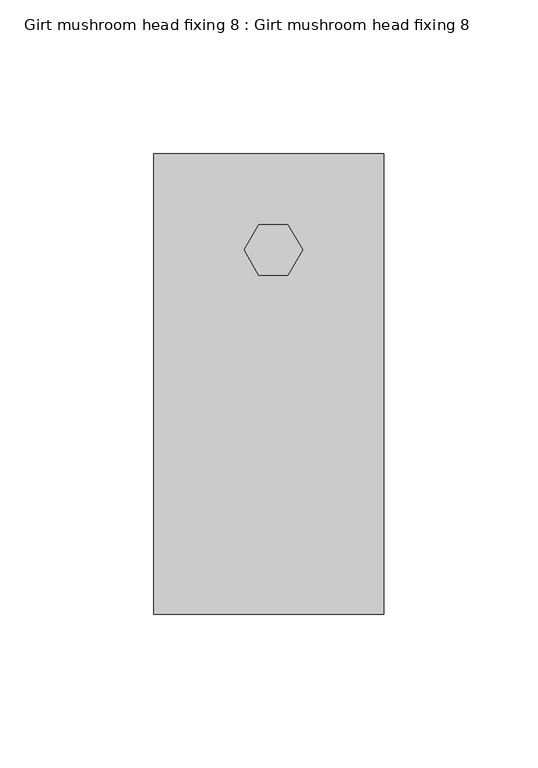
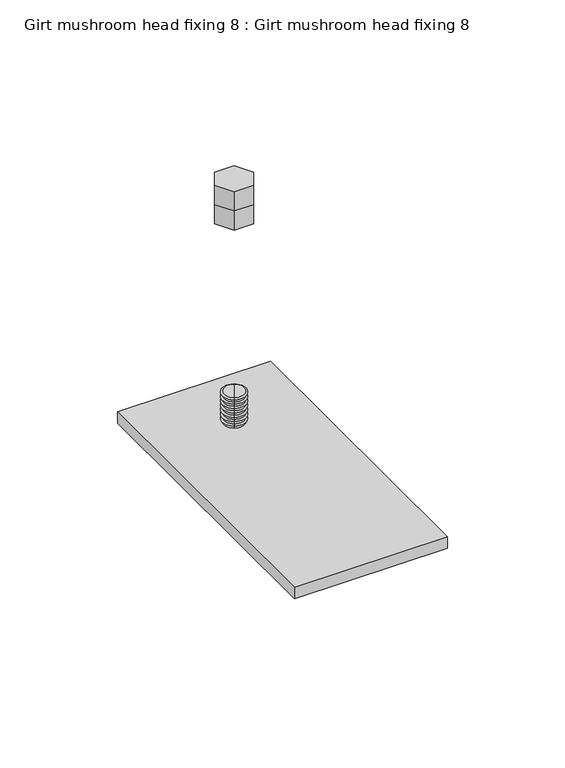
"""IFC4 building model written with IfcOpenShell, lengths in millimetres: proxy geometry, Girt mushroom head fixing 8 : Girt mushroom head fixing 8."""

from ifc_helpers import new_model, si_unit, frame, origin, place, context, project, spatial, polyline, circle_curve, outline, extrude, source, transform, mapped, element, save
from ifc_brep_helpers import plane_surface, cylinder_surface, revolved_surface, advanced_brep


def girt_mushroom_head_fixing_8_girt_mushroom_head_fixing_8_28c25c80(model_context):
    return source(origin(), model_context, "Body", "SolidModel", [
        extrude(outline(polyline([(75.0, 30.660858), (75.0, -119.339142), (0.0, -119.339142), (0.0, 30.660858), (75.0, 30.660858)])), frame((0.0, 0.0, -106.0), z_axis=(0.0, 0.0, 1.0), x_axis=(1.0, 0.0, 0.0)), (0.0, 0.0, 1.0), 6.0),
        extrude(outline(polyline([(43.75, -8.8923048), (34.25, -8.8923048), (29.5, -0.6650635), (34.25, 7.5621778), (43.75, 7.5621778), (48.5, -0.6650635), (43.75, -8.8923048)])), frame((0.0, 0.0, -116.2567192), z_axis=(0.0, 0.0, 1.0), x_axis=(1.0, 0.0, 0.0)), (0.0, 0.0, 1.0), 10.0),
        advanced_brep(
        [(41.5, 3.6650635, -132.5486422), (36.5, -4.9951905, -132.5486422), (36.0940542, -5.6983094, -132.0260805), (41.9059458, 4.3681823, -132.0260805), (36.5, -4.9951905, -131.5573346), (41.5, 3.6650635, -131.5573346), (36.5, -4.9951905, -130.2783748), (41.5, 3.6650635, -130.2783748), (36.0940542, -5.6983094, -129.7558131), (41.9059458, 4.3681823, -129.7558131), (36.5, -4.9951905, -129.2870672), (41.5, 3.6650635, -129.2870672), (36.5, -4.9951905, -128.0081074), (41.5, 3.6650635, -128.0081074), (36.0940542, -5.6983094, -127.4855457), (41.9059458, 4.3681823, -127.4855457), (36.5, -4.9951905, -127.0167998), (41.5, 3.6650635, -127.0167998), (36.5, -4.9951905, -125.73784), (41.5, 3.6650635, -125.73784), (36.0940542, -5.6983094, -125.2152783), (41.9059458, 4.3681823, -125.2152783), (36.5, -4.9951905, -124.7465324), (41.5, 3.6650635, -124.7465324), (36.5, -4.9951905, -123.4675726), (41.5, 3.6650635, -123.4675726), (36.0940542, -5.6983094, -122.9450109), (41.9059458, 4.3681823, -122.9450109), (36.5, -4.9951905, -122.476265), (41.5, 3.6650635, -122.476265), (36.5, -4.9951905, -121.1973052), (41.5, 3.6650635, -121.1973052), (36.0940542, -5.6983094, -120.6747435), (41.9059458, 4.3681823, -120.6747435), (36.5, -4.9951905, -120.2059976), (41.5, 3.6650635, -120.2059976), (36.5, -4.9951905, -118.9270378), (41.5, 3.6650635, -118.9270378), (36.0940542, -5.6983094, -118.4044761), (41.9059458, 4.3681823, -118.4044761), (36.5, -4.9951905, -117.9357302), (41.5, 3.6650635, -117.9357302), (36.5, -4.9951905, -116.6567703), (41.5, 3.6650635, -116.6567703), (36.0940542, -5.6983094, -116.1342087), (41.9059458, 4.3681823, -116.1342087), (36.5, -4.9951905, -115.6654628), (41.5, 3.6650635, -115.6654628), (36.5, -4.9951905, -114.3865029), (41.5, 3.6650635, -114.3865029), (36.0940542, -5.6983094, -113.8639413), (41.9059458, 4.3681823, -113.8639413), (36.5, -4.9951905, -113.3951954), (41.5, 3.6650635, -113.3951954), (36.5, -4.9951905, -112.1162355), (41.5, 3.6650635, -112.1162355), (36.0940542, -5.6983094, -111.5936739), (41.9059458, 4.3681823, -111.5936739), (36.5, -4.9951905, -111.124928), (41.5, 3.6650635, -111.124928), (36.5, -4.9951905, -109.8459681), (41.5, 3.6650635, -109.8459681), (36.0940542, -5.6983094, -109.3234065), (41.9059458, 4.3681823, -109.3234065), (36.5, -4.9951905, -108.8546606), (41.5, 3.6650635, -108.8546606), (36.5, -4.9951905, -107.5757007), (41.5, 3.6650635, -107.5757007), (36.0940542, -5.6983094, -107.0531391), (41.9059458, 4.3681823, -107.0531391), (36.5, -4.9951905, -106.5843932), (41.5, 3.6650635, -106.5843932), (36.5, -4.9951905, -105.3054333), (41.5, 3.6650635, -105.3054333), (36.0940542, -5.6983094, -104.7828717), (41.9059458, 4.3681823, -104.7828717), (36.5, -4.9951905, -104.3141258), (41.5, 3.6650635, -104.3141258), (36.5, -4.9951905, -103.0351659), (41.5, 3.6650635, -103.0351659), (36.0940542, -5.6983094, -102.5126043), (41.9059458, 4.3681823, -102.5126043), (39.0, -0.6650635, -132.5486422), (36.5, -4.9951905, -102.0438584), (41.5, 3.6650635, -102.0438584), (36.5, -4.9951905, -100.7648985), (41.5, 3.6650635, -100.7648985), (36.0940542, -5.6983094, -100.2423369), (41.9059458, 4.3681823, -100.2423369), (36.5, -4.9951905, -99.773591), (41.5, 3.6650635, -99.773591), (36.5, -4.9951905, -98.4946311), (41.5, 3.6650635, -98.4946311), (36.0940542, -5.6983094, -97.9720695), (41.9059458, 4.3681823, -97.9720695), (36.5, -4.9951905, -97.5033236), (41.5, 3.6650635, -97.5033236), (36.5, -4.9951905, -96.2243637), (41.5, 3.6650635, -96.2243637), (36.0940542, -5.6983094, -95.7018021), (41.9059458, 4.3681823, -95.7018021), (36.5, -4.9951905, -95.2330562), (41.5, 3.6650635, -95.2330562), (36.5, -4.9951905, -93.9540963), (41.5, 3.6650635, -93.9540963), (36.0940542, -5.6983094, -93.4315347), (41.9059458, 4.3681823, -93.4315347), (36.5, -4.9951905, -92.9627888), (41.5, 3.6650635, -92.9627888), (36.5, -4.9951905, -91.6838289), (41.5, 3.6650635, -91.6838289), (36.0940542, -5.6983094, -91.1612673), (41.9059458, 4.3681823, -91.1612673), (36.5, -4.9951905, -90.6925214), (41.5, 3.6650635, -90.6925214), (36.5, -4.9951905, -89.4135615), (41.5, 3.6650635, -89.4135615), (36.0940542, -5.6983094, -88.8909998), (41.9059458, 4.3681823, -88.8909998), (36.5, -4.9951905, -88.422254), (41.5, 3.6650635, -88.422254), (36.5, -4.9951905, -87.1432941), (41.5, 3.6650635, -87.1432941), (36.0940542, -5.6983094, -86.6207324), (41.9059458, 4.3681823, -86.6207324), (36.5, -4.9951905, -86.1519866), (41.5, 3.6650635, -86.1519866), (36.5, -4.9951905, -84.8730267), (41.5, 3.6650635, -84.8730267), (36.0940542, -5.6983094, -84.350465), (41.9059458, 4.3681823, -84.350465), (36.5, -4.9951905, -83.8817192), (41.5, 3.6650635, -83.8817192), (39.0, -0.6650635, -83.8817192)],
        [
            (0, 1, circle_curve(frame((39.0, -0.6650635, -132.5486422), z_axis=(0.0, 0.0, 1.0), x_axis=(-0.5000000000000034, -0.8660254037844367, 0.0)), 5.0)),
            (1, 2),
            (2, 3, circle_curve(frame((39.0, -0.6650635, -132.0260805), z_axis=(0.0, 0.0, -1.0), x_axis=(-0.5000000000000034, -0.8660254037844367, 0.0)), 5.8118917)),
            (3, 0),
            (1, 0, circle_curve(frame((39.0, -0.6650635, -132.5486422), z_axis=(0.0, 0.0, 1.0), x_axis=(-0.5000000000000034, -0.8660254037844367, 0.0)), 5.0)),
            (3, 2, circle_curve(frame((39.0, -0.6650635, -132.0260805), z_axis=(0.0, 0.0, -1.0), x_axis=(-0.5000000000000034, -0.8660254037844367, 0.0)), 5.8118917)),
            (2, 4),
            (4, 5, circle_curve(frame((39.0, -0.6650635, -131.5573346), z_axis=(0.0, 0.0, -1.0), x_axis=(-0.5000000000000034, -0.8660254037844367, 0.0)), 5.0)),
            (5, 3),
            (5, 4, circle_curve(frame((39.0, -0.6650635, -131.5573346), z_axis=(0.0, 0.0, -1.0), x_axis=(-0.5000000000000034, -0.8660254037844367, 0.0)), 5.0)),
            (4, 6),
            (6, 7, circle_curve(frame((39.0, -0.6650635, -130.2783748), z_axis=(0.0, 0.0, -1.0), x_axis=(-0.5000000000000034, -0.8660254037844367, 0.0)), 5.0)),
            (7, 5),
            (7, 6, circle_curve(frame((39.0, -0.6650635, -130.2783748), z_axis=(0.0, 0.0, -1.0), x_axis=(-0.5000000000000034, -0.8660254037844367, 0.0)), 5.0)),
            (6, 8),
            (8, 9, circle_curve(frame((39.0, -0.6650635, -129.7558131), z_axis=(0.0, 0.0, -1.0), x_axis=(-0.5000000000000034, -0.8660254037844367, 0.0)), 5.8118917)),
            (9, 7),
            (9, 8, circle_curve(frame((39.0, -0.6650635, -129.7558131), z_axis=(0.0, 0.0, -1.0), x_axis=(-0.5000000000000034, -0.8660254037844367, 0.0)), 5.8118917)),
            (8, 10),
            (10, 11, circle_curve(frame((39.0, -0.6650635, -129.2870672), z_axis=(0.0, 0.0, -1.0), x_axis=(-0.5000000000000034, -0.8660254037844367, 0.0)), 5.0)),
            (11, 9),
            (11, 10, circle_curve(frame((39.0, -0.6650635, -129.2870672), z_axis=(0.0, 0.0, -1.0), x_axis=(-0.5000000000000034, -0.8660254037844367, 0.0)), 5.0)),
            (10, 12),
            (12, 13, circle_curve(frame((39.0, -0.6650635, -128.0081074), z_axis=(0.0, 0.0, -1.0), x_axis=(-0.5000000000000034, -0.8660254037844367, 0.0)), 5.0)),
            (13, 11),
            (13, 12, circle_curve(frame((39.0, -0.6650635, -128.0081074), z_axis=(0.0, 0.0, -1.0), x_axis=(-0.5000000000000034, -0.8660254037844367, 0.0)), 5.0)),
            (12, 14),
            (14, 15, circle_curve(frame((39.0, -0.6650635, -127.4855457), z_axis=(0.0, 0.0, -1.0), x_axis=(-0.5000000000000034, -0.8660254037844367, 0.0)), 5.8118917)),
            (15, 13),
            (15, 14, circle_curve(frame((39.0, -0.6650635, -127.4855457), z_axis=(0.0, 0.0, -1.0), x_axis=(-0.5000000000000034, -0.8660254037844367, 0.0)), 5.8118917)),
            (14, 16),
            (16, 17, circle_curve(frame((39.0, -0.6650635, -127.0167998), z_axis=(0.0, 0.0, -1.0), x_axis=(-0.5000000000000034, -0.8660254037844367, 0.0)), 5.0)),
            (17, 15),
            (17, 16, circle_curve(frame((39.0, -0.6650635, -127.0167998), z_axis=(0.0, 0.0, -1.0), x_axis=(-0.5000000000000034, -0.8660254037844367, 0.0)), 5.0)),
            (16, 18),
            (18, 19, circle_curve(frame((39.0, -0.6650635, -125.73784), z_axis=(0.0, 0.0, -1.0), x_axis=(-0.5000000000000034, -0.8660254037844367, 0.0)), 5.0)),
            (19, 17),
            (19, 18, circle_curve(frame((39.0, -0.6650635, -125.73784), z_axis=(0.0, 0.0, -1.0), x_axis=(-0.5000000000000034, -0.8660254037844367, 0.0)), 5.0)),
            (18, 20),
            (20, 21, circle_curve(frame((39.0, -0.6650635, -125.2152783), z_axis=(0.0, 0.0, -1.0), x_axis=(-0.5000000000000034, -0.8660254037844367, 0.0)), 5.8118917)),
            (21, 19),
            (21, 20, circle_curve(frame((39.0, -0.6650635, -125.2152783), z_axis=(0.0, 0.0, -1.0), x_axis=(-0.5000000000000034, -0.8660254037844367, 0.0)), 5.8118917)),
            (20, 22),
            (22, 23, circle_curve(frame((39.0, -0.6650635, -124.7465324), z_axis=(0.0, 0.0, -1.0), x_axis=(-0.5000000000000034, -0.8660254037844367, 0.0)), 5.0)),
            (23, 21),
            (23, 22, circle_curve(frame((39.0, -0.6650635, -124.7465324), z_axis=(0.0, 0.0, -1.0), x_axis=(-0.5000000000000034, -0.8660254037844367, 0.0)), 5.0)),
            (22, 24),
            (24, 25, circle_curve(frame((39.0, -0.6650635, -123.4675726), z_axis=(0.0, 0.0, -1.0), x_axis=(-0.5000000000000034, -0.8660254037844367, 0.0)), 5.0)),
            (25, 23),
            (25, 24, circle_curve(frame((39.0, -0.6650635, -123.4675726), z_axis=(0.0, 0.0, -1.0), x_axis=(-0.5000000000000034, -0.8660254037844367, 0.0)), 5.0)),
            (24, 26),
            (26, 27, circle_curve(frame((39.0, -0.6650635, -122.9450109), z_axis=(0.0, 0.0, -1.0), x_axis=(-0.5000000000000034, -0.8660254037844367, 0.0)), 5.8118917)),
            (27, 25),
            (27, 26, circle_curve(frame((39.0, -0.6650635, -122.9450109), z_axis=(0.0, 0.0, -1.0), x_axis=(-0.5000000000000034, -0.8660254037844367, 0.0)), 5.8118917)),
            (26, 28),
            (28, 29, circle_curve(frame((39.0, -0.6650635, -122.476265), z_axis=(0.0, 0.0, -1.0), x_axis=(-0.5000000000000034, -0.8660254037844367, 0.0)), 5.0)),
            (29, 27),
            (29, 28, circle_curve(frame((39.0, -0.6650635, -122.476265), z_axis=(0.0, 0.0, -1.0), x_axis=(-0.5000000000000034, -0.8660254037844367, 0.0)), 5.0)),
            (28, 30),
            (30, 31, circle_curve(frame((39.0, -0.6650635, -121.1973052), z_axis=(0.0, 0.0, -1.0), x_axis=(-0.5000000000000034, -0.8660254037844367, 0.0)), 5.0)),
            (31, 29),
            (31, 30, circle_curve(frame((39.0, -0.6650635, -121.1973052), z_axis=(0.0, 0.0, -1.0), x_axis=(-0.5000000000000034, -0.8660254037844367, 0.0)), 5.0)),
            (30, 32),
            (32, 33, circle_curve(frame((39.0, -0.6650635, -120.6747435), z_axis=(0.0, 0.0, -1.0), x_axis=(-0.5000000000000034, -0.8660254037844367, 0.0)), 5.8118917)),
            (33, 31),
            (33, 32, circle_curve(frame((39.0, -0.6650635, -120.6747435), z_axis=(0.0, 0.0, -1.0), x_axis=(-0.5000000000000034, -0.8660254037844367, 0.0)), 5.8118917)),
            (32, 34),
            (34, 35, circle_curve(frame((39.0, -0.6650635, -120.2059976), z_axis=(0.0, 0.0, -1.0), x_axis=(-0.5000000000000034, -0.8660254037844367, 0.0)), 5.0)),
            (35, 33),
            (35, 34, circle_curve(frame((39.0, -0.6650635, -120.2059976), z_axis=(0.0, 0.0, -1.0), x_axis=(-0.5000000000000034, -0.8660254037844367, 0.0)), 5.0)),
            (34, 36),
            (36, 37, circle_curve(frame((39.0, -0.6650635, -118.9270378), z_axis=(0.0, 0.0, -1.0), x_axis=(-0.5000000000000034, -0.8660254037844367, 0.0)), 5.0)),
            (37, 35),
            (37, 36, circle_curve(frame((39.0, -0.6650635, -118.9270378), z_axis=(0.0, 0.0, -1.0), x_axis=(-0.5000000000000034, -0.8660254037844367, 0.0)), 5.0)),
            (36, 38),
            (38, 39, circle_curve(frame((39.0, -0.6650635, -118.4044761), z_axis=(0.0, 0.0, -1.0), x_axis=(-0.5000000000000034, -0.8660254037844367, 0.0)), 5.8118917)),
            (39, 37),
            (39, 38, circle_curve(frame((39.0, -0.6650635, -118.4044761), z_axis=(0.0, 0.0, -1.0), x_axis=(-0.5000000000000034, -0.8660254037844367, 0.0)), 5.8118917)),
            (38, 40),
            (40, 41, circle_curve(frame((39.0, -0.6650635, -117.9357302), z_axis=(0.0, 0.0, -1.0), x_axis=(-0.5000000000000034, -0.8660254037844367, 0.0)), 5.0)),
            (41, 39),
            (41, 40, circle_curve(frame((39.0, -0.6650635, -117.9357302), z_axis=(0.0, 0.0, -1.0), x_axis=(-0.5000000000000034, -0.8660254037844367, 0.0)), 5.0)),
            (40, 42),
            (42, 43, circle_curve(frame((39.0, -0.6650635, -116.6567703), z_axis=(0.0, 0.0, -1.0), x_axis=(-0.5000000000000034, -0.8660254037844367, 0.0)), 5.0)),
            (43, 41),
            (43, 42, circle_curve(frame((39.0, -0.6650635, -116.6567703), z_axis=(0.0, 0.0, -1.0), x_axis=(-0.5000000000000034, -0.8660254037844367, 0.0)), 5.0)),
            (42, 44),
            (44, 45, circle_curve(frame((39.0, -0.6650635, -116.1342087), z_axis=(0.0, 0.0, -1.0), x_axis=(-0.5000000000000034, -0.8660254037844367, 0.0)), 5.8118917)),
            (45, 43),
            (45, 44, circle_curve(frame((39.0, -0.6650635, -116.1342087), z_axis=(0.0, 0.0, -1.0), x_axis=(-0.5000000000000034, -0.8660254037844367, 0.0)), 5.8118917)),
            (44, 46),
            (46, 47, circle_curve(frame((39.0, -0.6650635, -115.6654628), z_axis=(0.0, 0.0, -1.0), x_axis=(-0.5000000000000034, -0.8660254037844367, 0.0)), 5.0)),
            (47, 45),
            (47, 46, circle_curve(frame((39.0, -0.6650635, -115.6654628), z_axis=(0.0, 0.0, -1.0), x_axis=(-0.5000000000000034, -0.8660254037844367, 0.0)), 5.0)),
            (46, 48),
            (48, 49, circle_curve(frame((39.0, -0.6650635, -114.3865029), z_axis=(0.0, 0.0, -1.0), x_axis=(-0.5000000000000034, -0.8660254037844367, 0.0)), 5.0)),
            (49, 47),
            (49, 48, circle_curve(frame((39.0, -0.6650635, -114.3865029), z_axis=(0.0, 0.0, -1.0), x_axis=(-0.5000000000000034, -0.8660254037844367, 0.0)), 5.0)),
            (48, 50),
            (50, 51, circle_curve(frame((39.0, -0.6650635, -113.8639413), z_axis=(0.0, 0.0, -1.0), x_axis=(-0.5000000000000034, -0.8660254037844367, 0.0)), 5.8118917)),
            (51, 49),
            (51, 50, circle_curve(frame((39.0, -0.6650635, -113.8639413), z_axis=(0.0, 0.0, -1.0), x_axis=(-0.5000000000000034, -0.8660254037844367, 0.0)), 5.8118917)),
            (50, 52),
            (52, 53, circle_curve(frame((39.0, -0.6650635, -113.3951954), z_axis=(0.0, 0.0, -1.0), x_axis=(-0.5000000000000034, -0.8660254037844367, 0.0)), 5.0)),
            (53, 51),
            (53, 52, circle_curve(frame((39.0, -0.6650635, -113.3951954), z_axis=(0.0, 0.0, -1.0), x_axis=(-0.5000000000000034, -0.8660254037844367, 0.0)), 5.0)),
            (52, 54),
            (54, 55, circle_curve(frame((39.0, -0.6650635, -112.1162355), z_axis=(0.0, 0.0, -1.0), x_axis=(-0.5000000000000034, -0.8660254037844367, 0.0)), 5.0)),
            (55, 53),
            (55, 54, circle_curve(frame((39.0, -0.6650635, -112.1162355), z_axis=(0.0, 0.0, -1.0), x_axis=(-0.5000000000000034, -0.8660254037844367, 0.0)), 5.0)),
            (54, 56),
            (56, 57, circle_curve(frame((39.0, -0.6650635, -111.5936739), z_axis=(0.0, 0.0, -1.0), x_axis=(-0.5000000000000034, -0.8660254037844367, 0.0)), 5.8118917)),
            (57, 55),
            (57, 56, circle_curve(frame((39.0, -0.6650635, -111.5936739), z_axis=(0.0, 0.0, -1.0), x_axis=(-0.5000000000000034, -0.8660254037844367, 0.0)), 5.8118917)),
            (56, 58),
            (58, 59, circle_curve(frame((39.0, -0.6650635, -111.124928), z_axis=(0.0, 0.0, -1.0), x_axis=(-0.5000000000000034, -0.8660254037844367, 0.0)), 5.0)),
            (59, 57),
            (59, 58, circle_curve(frame((39.0, -0.6650635, -111.124928), z_axis=(0.0, 0.0, -1.0), x_axis=(-0.5000000000000034, -0.8660254037844367, 0.0)), 5.0)),
            (58, 60),
            (60, 61, circle_curve(frame((39.0, -0.6650635, -109.8459681), z_axis=(0.0, 0.0, -1.0), x_axis=(-0.5000000000000034, -0.8660254037844367, 0.0)), 5.0)),
            (61, 59),
            (61, 60, circle_curve(frame((39.0, -0.6650635, -109.8459681), z_axis=(0.0, 0.0, -1.0), x_axis=(-0.5000000000000034, -0.8660254037844367, 0.0)), 5.0)),
            (60, 62),
            (62, 63, circle_curve(frame((39.0, -0.6650635, -109.3234065), z_axis=(0.0, 0.0, -1.0), x_axis=(-0.5000000000000034, -0.8660254037844367, 0.0)), 5.8118917)),
            (63, 61),
            (63, 62, circle_curve(frame((39.0, -0.6650635, -109.3234065), z_axis=(0.0, 0.0, -1.0), x_axis=(-0.5000000000000034, -0.8660254037844367, 0.0)), 5.8118917)),
            (62, 64),
            (64, 65, circle_curve(frame((39.0, -0.6650635, -108.8546606), z_axis=(0.0, 0.0, -1.0), x_axis=(-0.5000000000000034, -0.8660254037844367, 0.0)), 5.0)),
            (65, 63),
            (65, 64, circle_curve(frame((39.0, -0.6650635, -108.8546606), z_axis=(0.0, 0.0, -1.0), x_axis=(-0.5000000000000034, -0.8660254037844367, 0.0)), 5.0)),
            (64, 66),
            (66, 67, circle_curve(frame((39.0, -0.6650635, -107.5757007), z_axis=(0.0, 0.0, -1.0), x_axis=(-0.5000000000000034, -0.8660254037844367, 0.0)), 5.0)),
            (67, 65),
            (67, 66, circle_curve(frame((39.0, -0.6650635, -107.5757007), z_axis=(0.0, 0.0, -1.0), x_axis=(-0.5000000000000034, -0.8660254037844367, 0.0)), 5.0)),
            (66, 68),
            (68, 69, circle_curve(frame((39.0, -0.6650635, -107.0531391), z_axis=(0.0, 0.0, -1.0), x_axis=(-0.5000000000000034, -0.8660254037844367, 0.0)), 5.8118917)),
            (69, 67),
            (69, 68, circle_curve(frame((39.0, -0.6650635, -107.0531391), z_axis=(0.0, 0.0, -1.0), x_axis=(-0.5000000000000034, -0.8660254037844367, 0.0)), 5.8118917)),
            (68, 70),
            (70, 71, circle_curve(frame((39.0, -0.6650635, -106.5843932), z_axis=(0.0, 0.0, -1.0), x_axis=(-0.5000000000000034, -0.8660254037844367, 0.0)), 5.0)),
            (71, 69),
            (71, 70, circle_curve(frame((39.0, -0.6650635, -106.5843932), z_axis=(0.0, 0.0, -1.0), x_axis=(-0.5000000000000034, -0.8660254037844367, 0.0)), 5.0)),
            (70, 72),
            (72, 73, circle_curve(frame((39.0, -0.6650635, -105.3054333), z_axis=(0.0, 0.0, -1.0), x_axis=(-0.5000000000000034, -0.8660254037844367, 0.0)), 5.0)),
            (73, 71),
            (73, 72, circle_curve(frame((39.0, -0.6650635, -105.3054333), z_axis=(0.0, 0.0, -1.0), x_axis=(-0.5000000000000034, -0.8660254037844367, 0.0)), 5.0)),
            (72, 74),
            (74, 75, circle_curve(frame((39.0, -0.6650635, -104.7828717), z_axis=(0.0, 0.0, -1.0), x_axis=(-0.5000000000000034, -0.8660254037844367, 0.0)), 5.8118917)),
            (75, 73),
            (75, 74, circle_curve(frame((39.0, -0.6650635, -104.7828717), z_axis=(0.0, 0.0, -1.0), x_axis=(-0.5000000000000034, -0.8660254037844367, 0.0)), 5.8118917)),
            (74, 76),
            (76, 77, circle_curve(frame((39.0, -0.6650635, -104.3141258), z_axis=(0.0, 0.0, -1.0), x_axis=(-0.5000000000000034, -0.8660254037844367, 0.0)), 5.0)),
            (77, 75),
            (77, 76, circle_curve(frame((39.0, -0.6650635, -104.3141258), z_axis=(0.0, 0.0, -1.0), x_axis=(-0.5000000000000034, -0.8660254037844367, 0.0)), 5.0)),
            (76, 78),
            (78, 79, circle_curve(frame((39.0, -0.6650635, -103.0351659), z_axis=(0.0, 0.0, -1.0), x_axis=(-0.5000000000000034, -0.8660254037844367, 0.0)), 5.0)),
            (79, 77),
            (79, 78, circle_curve(frame((39.0, -0.6650635, -103.0351659), z_axis=(0.0, 0.0, -1.0), x_axis=(-0.5000000000000034, -0.8660254037844367, 0.0)), 5.0)),
            (78, 80),
            (80, 81, circle_curve(frame((39.0, -0.6650635, -102.5126043), z_axis=(0.0, 0.0, -1.0), x_axis=(-0.5000000000000034, -0.8660254037844367, 0.0)), 5.8118917)),
            (81, 79),
            (81, 80, circle_curve(frame((39.0, -0.6650635, -102.5126043), z_axis=(0.0, 0.0, -1.0), x_axis=(-0.5000000000000034, -0.8660254037844367, 0.0)), 5.8118917)),
            (82, 1),
            (0, 82),
            (80, 83),
            (83, 84, circle_curve(frame((39.0, -0.6650635, -102.0438584), z_axis=(0.0, 0.0, -1.0), x_axis=(-0.5000000000000034, -0.8660254037844367, 0.0)), 5.0)),
            (84, 81),
            (84, 83, circle_curve(frame((39.0, -0.6650635, -102.0438584), z_axis=(0.0, 0.0, -1.0), x_axis=(-0.5000000000000034, -0.8660254037844367, 0.0)), 5.0)),
            (83, 85),
            (85, 86, circle_curve(frame((39.0, -0.6650635, -100.7648985), z_axis=(0.0, 0.0, -1.0), x_axis=(-0.5000000000000034, -0.8660254037844367, 0.0)), 5.0)),
            (86, 84),
            (86, 85, circle_curve(frame((39.0, -0.6650635, -100.7648985), z_axis=(0.0, 0.0, -1.0), x_axis=(-0.5000000000000034, -0.8660254037844367, 0.0)), 5.0)),
            (85, 87),
            (87, 88, circle_curve(frame((39.0, -0.6650635, -100.2423369), z_axis=(0.0, 0.0, -1.0), x_axis=(-0.5000000000000034, -0.8660254037844367, 0.0)), 5.8118917)),
            (88, 86),
            (88, 87, circle_curve(frame((39.0, -0.6650635, -100.2423369), z_axis=(0.0, 0.0, -1.0), x_axis=(-0.5000000000000034, -0.8660254037844367, 0.0)), 5.8118917)),
            (87, 89),
            (89, 90, circle_curve(frame((39.0, -0.6650635, -99.773591), z_axis=(0.0, 0.0, -1.0), x_axis=(-0.5000000000000034, -0.8660254037844367, 0.0)), 5.0)),
            (90, 88),
            (90, 89, circle_curve(frame((39.0, -0.6650635, -99.773591), z_axis=(0.0, 0.0, -1.0), x_axis=(-0.5000000000000034, -0.8660254037844367, 0.0)), 5.0)),
            (89, 91),
            (91, 92, circle_curve(frame((39.0, -0.6650635, -98.4946311), z_axis=(0.0, 0.0, -1.0), x_axis=(-0.5000000000000034, -0.8660254037844367, 0.0)), 5.0)),
            (92, 90),
            (92, 91, circle_curve(frame((39.0, -0.6650635, -98.4946311), z_axis=(0.0, 0.0, -1.0), x_axis=(-0.5000000000000034, -0.8660254037844367, 0.0)), 5.0)),
            (91, 93),
            (93, 94, circle_curve(frame((39.0, -0.6650635, -97.9720695), z_axis=(0.0, 0.0, -1.0), x_axis=(-0.5000000000000034, -0.8660254037844367, 0.0)), 5.8118917)),
            (94, 92),
            (94, 93, circle_curve(frame((39.0, -0.6650635, -97.9720695), z_axis=(0.0, 0.0, -1.0), x_axis=(-0.5000000000000034, -0.8660254037844367, 0.0)), 5.8118917)),
            (93, 95),
            (95, 96, circle_curve(frame((39.0, -0.6650635, -97.5033236), z_axis=(0.0, 0.0, -1.0), x_axis=(-0.5000000000000034, -0.8660254037844367, 0.0)), 5.0)),
            (96, 94),
            (96, 95, circle_curve(frame((39.0, -0.6650635, -97.5033236), z_axis=(0.0, 0.0, -1.0), x_axis=(-0.5000000000000034, -0.8660254037844367, 0.0)), 5.0)),
            (95, 97),
            (97, 98, circle_curve(frame((39.0, -0.6650635, -96.2243637), z_axis=(0.0, 0.0, -1.0), x_axis=(-0.5000000000000034, -0.8660254037844367, 0.0)), 5.0)),
            (98, 96),
            (98, 97, circle_curve(frame((39.0, -0.6650635, -96.2243637), z_axis=(0.0, 0.0, -1.0), x_axis=(-0.5000000000000034, -0.8660254037844367, 0.0)), 5.0)),
            (97, 99),
            (99, 100, circle_curve(frame((39.0, -0.6650635, -95.7018021), z_axis=(0.0, 0.0, -1.0), x_axis=(-0.5000000000000034, -0.8660254037844367, 0.0)), 5.8118917)),
            (100, 98),
            (100, 99, circle_curve(frame((39.0, -0.6650635, -95.7018021), z_axis=(0.0, 0.0, -1.0), x_axis=(-0.5000000000000034, -0.8660254037844367, 0.0)), 5.8118917)),
            (99, 101),
            (101, 102, circle_curve(frame((39.0, -0.6650635, -95.2330562), z_axis=(0.0, 0.0, -1.0), x_axis=(-0.5000000000000034, -0.8660254037844367, 0.0)), 5.0)),
            (102, 100),
            (102, 101, circle_curve(frame((39.0, -0.6650635, -95.2330562), z_axis=(0.0, 0.0, -1.0), x_axis=(-0.5000000000000034, -0.8660254037844367, 0.0)), 5.0)),
            (101, 103),
            (103, 104, circle_curve(frame((39.0, -0.6650635, -93.9540963), z_axis=(0.0, 0.0, -1.0), x_axis=(-0.5000000000000034, -0.8660254037844367, 0.0)), 5.0)),
            (104, 102),
            (104, 103, circle_curve(frame((39.0, -0.6650635, -93.9540963), z_axis=(0.0, 0.0, -1.0), x_axis=(-0.5000000000000034, -0.8660254037844367, 0.0)), 5.0)),
            (103, 105),
            (105, 106, circle_curve(frame((39.0, -0.6650635, -93.4315347), z_axis=(0.0, 0.0, -1.0), x_axis=(-0.5000000000000034, -0.8660254037844367, 0.0)), 5.8118917)),
            (106, 104),
            (106, 105, circle_curve(frame((39.0, -0.6650635, -93.4315347), z_axis=(0.0, 0.0, -1.0), x_axis=(-0.5000000000000034, -0.8660254037844367, 0.0)), 5.8118917)),
            (105, 107),
            (107, 108, circle_curve(frame((39.0, -0.6650635, -92.9627888), z_axis=(0.0, 0.0, -1.0), x_axis=(-0.5000000000000034, -0.8660254037844367, 0.0)), 5.0)),
            (108, 106),
            (108, 107, circle_curve(frame((39.0, -0.6650635, -92.9627888), z_axis=(0.0, 0.0, -1.0), x_axis=(-0.5000000000000034, -0.8660254037844367, 0.0)), 5.0)),
            (107, 109),
            (109, 110, circle_curve(frame((39.0, -0.6650635, -91.6838289), z_axis=(0.0, 0.0, -1.0), x_axis=(-0.5000000000000034, -0.8660254037844367, 0.0)), 5.0)),
            (110, 108),
            (110, 109, circle_curve(frame((39.0, -0.6650635, -91.6838289), z_axis=(0.0, 0.0, -1.0), x_axis=(-0.5000000000000034, -0.8660254037844367, 0.0)), 5.0)),
            (109, 111),
            (111, 112, circle_curve(frame((39.0, -0.6650635, -91.1612673), z_axis=(0.0, 0.0, -1.0), x_axis=(-0.5000000000000034, -0.8660254037844367, 0.0)), 5.8118917)),
            (112, 110),
            (112, 111, circle_curve(frame((39.0, -0.6650635, -91.1612673), z_axis=(0.0, 0.0, -1.0), x_axis=(-0.5000000000000034, -0.8660254037844367, 0.0)), 5.8118917)),
            (111, 113),
            (113, 114, circle_curve(frame((39.0, -0.6650635, -90.6925214), z_axis=(0.0, 0.0, -1.0), x_axis=(-0.5000000000000034, -0.8660254037844367, 0.0)), 5.0)),
            (114, 112),
            (114, 113, circle_curve(frame((39.0, -0.6650635, -90.6925214), z_axis=(0.0, 0.0, -1.0), x_axis=(-0.5000000000000034, -0.8660254037844367, 0.0)), 5.0)),
            (113, 115),
            (115, 116, circle_curve(frame((39.0, -0.6650635, -89.4135615), z_axis=(0.0, 0.0, -1.0), x_axis=(-0.5000000000000034, -0.8660254037844367, 0.0)), 5.0)),
            (116, 114),
            (116, 115, circle_curve(frame((39.0, -0.6650635, -89.4135615), z_axis=(0.0, 0.0, -1.0), x_axis=(-0.5000000000000034, -0.8660254037844367, 0.0)), 5.0)),
            (115, 117),
            (117, 118, circle_curve(frame((39.0, -0.6650635, -88.8909998), z_axis=(0.0, 0.0, -1.0), x_axis=(-0.5000000000000034, -0.8660254037844367, 0.0)), 5.8118917)),
            (118, 116),
            (118, 117, circle_curve(frame((39.0, -0.6650635, -88.8909998), z_axis=(0.0, 0.0, -1.0), x_axis=(-0.5000000000000034, -0.8660254037844367, 0.0)), 5.8118917)),
            (117, 119),
            (119, 120, circle_curve(frame((39.0, -0.6650635, -88.422254), z_axis=(0.0, 0.0, -1.0), x_axis=(-0.5000000000000034, -0.8660254037844367, 0.0)), 5.0)),
            (120, 118),
            (120, 119, circle_curve(frame((39.0, -0.6650635, -88.422254), z_axis=(0.0, 0.0, -1.0), x_axis=(-0.5000000000000034, -0.8660254037844367, 0.0)), 5.0)),
            (119, 121),
            (121, 122, circle_curve(frame((39.0, -0.6650635, -87.1432941), z_axis=(0.0, 0.0, -1.0), x_axis=(-0.5000000000000034, -0.8660254037844367, 0.0)), 5.0)),
            (122, 120),
            (122, 121, circle_curve(frame((39.0, -0.6650635, -87.1432941), z_axis=(0.0, 0.0, -1.0), x_axis=(-0.5000000000000034, -0.8660254037844367, 0.0)), 5.0)),
            (121, 123),
            (123, 124, circle_curve(frame((39.0, -0.6650635, -86.6207324), z_axis=(0.0, 0.0, -1.0), x_axis=(-0.5000000000000034, -0.8660254037844367, 0.0)), 5.8118917)),
            (124, 122),
            (124, 123, circle_curve(frame((39.0, -0.6650635, -86.6207324), z_axis=(0.0, 0.0, -1.0), x_axis=(-0.5000000000000034, -0.8660254037844367, 0.0)), 5.8118917)),
            (123, 125),
            (125, 126, circle_curve(frame((39.0, -0.6650635, -86.1519866), z_axis=(0.0, 0.0, -1.0), x_axis=(-0.5000000000000034, -0.8660254037844367, 0.0)), 5.0)),
            (126, 124),
            (126, 125, circle_curve(frame((39.0, -0.6650635, -86.1519866), z_axis=(0.0, 0.0, -1.0), x_axis=(-0.5000000000000034, -0.8660254037844367, 0.0)), 5.0)),
            (125, 127),
            (127, 128, circle_curve(frame((39.0, -0.6650635, -84.8730267), z_axis=(0.0, 0.0, -1.0), x_axis=(-0.5000000000000034, -0.8660254037844367, 0.0)), 5.0)),
            (128, 126),
            (128, 127, circle_curve(frame((39.0, -0.6650635, -84.8730267), z_axis=(0.0, 0.0, -1.0), x_axis=(-0.5000000000000034, -0.8660254037844367, 0.0)), 5.0)),
            (127, 129),
            (129, 130, circle_curve(frame((39.0, -0.6650635, -84.350465), z_axis=(0.0, 0.0, -1.0), x_axis=(-0.5000000000000034, -0.8660254037844367, 0.0)), 5.8118917)),
            (130, 128),
            (130, 129, circle_curve(frame((39.0, -0.6650635, -84.350465), z_axis=(0.0, 0.0, -1.0), x_axis=(-0.5000000000000034, -0.8660254037844367, 0.0)), 5.8118917)),
            (129, 131),
            (131, 132, circle_curve(frame((39.0, -0.6650635, -83.8817192), z_axis=(0.0, 0.0, -1.0), x_axis=(-0.5000000000000034, -0.8660254037844367, 0.0)), 5.0)),
            (132, 130),
            (132, 131, circle_curve(frame((39.0, -0.6650635, -83.8817192), z_axis=(0.0, 0.0, -1.0), x_axis=(-0.5000000000000034, -0.8660254037844367, 0.0)), 5.0)),
            (131, 133),
            (133, 132),
        ],
        [
            revolved_surface(polyline([(36.0940542, -5.6983094, -132.0260805), (36.5, -4.9951905, -132.5486422)]), (39.0, -0.6650635, -61.3543842), (0.0, 0.0, -1.0)),
            revolved_surface(polyline([(36.5, -4.9951905, -131.5573346), (36.0940542, -5.6983094, -132.0260805)]), (39.0, -0.6650635, -61.3543842), (0.0, 0.0, -1.0)),
            cylinder_surface(frame((39.0, -0.6650635, -61.3543842), z_axis=(0.0, 0.0, -1.0), x_axis=(-0.5000000000000034, -0.8660254037844367, 0.0)), 5.0),
            revolved_surface(polyline([(36.0940542, -5.6983094, -129.7558131), (36.5, -4.9951905, -130.2783748)]), (39.0, -0.6650635, -61.3543842), (0.0, 0.0, -1.0)),
            revolved_surface(polyline([(36.5, -4.9951905, -129.2870672), (36.0940542, -5.6983094, -129.7558131)]), (39.0, -0.6650635, -61.3543842), (0.0, 0.0, -1.0)),
            revolved_surface(polyline([(36.0940542, -5.6983094, -127.4855457), (36.5, -4.9951905, -128.0081074)]), (39.0, -0.6650635, -61.3543842), (0.0, 0.0, -1.0)),
            revolved_surface(polyline([(36.5, -4.9951905, -127.0167998), (36.0940542, -5.6983094, -127.4855457)]), (39.0, -0.6650635, -61.3543842), (0.0, 0.0, -1.0)),
            revolved_surface(polyline([(36.0940542, -5.6983094, -125.2152783), (36.5, -4.9951905, -125.73784)]), (39.0, -0.6650635, -61.3543842), (0.0, 0.0, -1.0)),
            revolved_surface(polyline([(36.5, -4.9951905, -124.7465324), (36.0940542, -5.6983094, -125.2152783)]), (39.0, -0.6650635, -61.3543842), (0.0, 0.0, -1.0)),
            revolved_surface(polyline([(36.0940542, -5.6983094, -122.9450109), (36.5, -4.9951905, -123.4675726)]), (39.0, -0.6650635, -61.3543842), (0.0, 0.0, -1.0)),
            revolved_surface(polyline([(36.5, -4.9951905, -122.476265), (36.0940542, -5.6983094, -122.9450109)]), (39.0, -0.6650635, -61.3543842), (0.0, 0.0, -1.0)),
            revolved_surface(polyline([(36.0940542, -5.6983094, -120.6747435), (36.5, -4.9951905, -121.1973052)]), (39.0, -0.6650635, -61.3543842), (0.0, 0.0, -1.0)),
            revolved_surface(polyline([(36.5, -4.9951905, -120.2059976), (36.0940542, -5.6983094, -120.6747435)]), (39.0, -0.6650635, -61.3543842), (0.0, 0.0, -1.0)),
            revolved_surface(polyline([(36.0940542, -5.6983094, -118.4044761), (36.5, -4.9951905, -118.9270378)]), (39.0, -0.6650635, -61.3543842), (0.0, 0.0, -1.0)),
            revolved_surface(polyline([(36.5, -4.9951905, -117.9357302), (36.0940542, -5.6983094, -118.4044761)]), (39.0, -0.6650635, -61.3543842), (0.0, 0.0, -1.0)),
            revolved_surface(polyline([(36.0940542, -5.6983094, -116.1342087), (36.5, -4.9951905, -116.6567703)]), (39.0, -0.6650635, -61.3543842), (0.0, 0.0, -1.0)),
            revolved_surface(polyline([(36.5, -4.9951905, -115.6654628), (36.0940542, -5.6983094, -116.1342087)]), (39.0, -0.6650635, -61.3543842), (0.0, 0.0, -1.0)),
            revolved_surface(polyline([(36.0940542, -5.6983094, -113.8639413), (36.5, -4.9951905, -114.3865029)]), (39.0, -0.6650635, -61.3543842), (0.0, 0.0, -1.0)),
            revolved_surface(polyline([(36.5, -4.9951905, -113.3951954), (36.0940542, -5.6983094, -113.8639413)]), (39.0, -0.6650635, -61.3543842), (0.0, 0.0, -1.0)),
            revolved_surface(polyline([(36.0940542, -5.6983094, -111.5936739), (36.5, -4.9951905, -112.1162355)]), (39.0, -0.6650635, -61.3543842), (0.0, 0.0, -1.0)),
            revolved_surface(polyline([(36.5, -4.9951905, -111.124928), (36.0940542, -5.6983094, -111.5936739)]), (39.0, -0.6650635, -61.3543842), (0.0, 0.0, -1.0)),
            revolved_surface(polyline([(36.0940542, -5.6983094, -109.3234065), (36.5, -4.9951905, -109.8459681)]), (39.0, -0.6650635, -61.3543842), (0.0, 0.0, -1.0)),
            revolved_surface(polyline([(36.5, -4.9951905, -108.8546606), (36.0940542, -5.6983094, -109.3234065)]), (39.0, -0.6650635, -61.3543842), (0.0, 0.0, -1.0)),
            revolved_surface(polyline([(36.0940542, -5.6983094, -107.0531391), (36.5, -4.9951905, -107.5757007)]), (39.0, -0.6650635, -61.3543842), (0.0, 0.0, -1.0)),
            revolved_surface(polyline([(36.5, -4.9951905, -106.5843932), (36.0940542, -5.6983094, -107.0531391)]), (39.0, -0.6650635, -61.3543842), (0.0, 0.0, -1.0)),
            revolved_surface(polyline([(36.0940542, -5.6983094, -104.7828717), (36.5, -4.9951905, -105.3054333)]), (39.0, -0.6650635, -61.3543842), (0.0, 0.0, -1.0)),
            revolved_surface(polyline([(36.5, -4.9951905, -104.3141258), (36.0940542, -5.6983094, -104.7828717)]), (39.0, -0.6650635, -61.3543842), (0.0, 0.0, -1.0)),
            revolved_surface(polyline([(36.0940542, -5.6983094, -102.5126043), (36.5, -4.9951905, -103.0351659)]), (39.0, -0.6650635, -61.3543842), (0.0, 0.0, -1.0)),
            plane_surface(frame((39.0, -0.6650635, -132.5486422), z_axis=(0.0, 0.0, -1.0), x_axis=(-0.5000000000000034, -0.8660254037844367, 0.0))),
            revolved_surface(polyline([(36.5, -4.9951905, -102.0438584), (36.0940542, -5.6983094, -102.5126043)]), (39.0, -0.6650635, -61.3543842), (0.0, 0.0, -1.0)),
            revolved_surface(polyline([(36.0940542, -5.6983094, -100.2423369), (36.5, -4.9951905, -100.7648985)]), (39.0, -0.6650635, -61.3543842), (0.0, 0.0, -1.0)),
            revolved_surface(polyline([(36.5, -4.9951905, -99.773591), (36.0940542, -5.6983094, -100.2423369)]), (39.0, -0.6650635, -61.3543842), (0.0, 0.0, -1.0)),
            revolved_surface(polyline([(36.0940542, -5.6983094, -97.9720695), (36.5, -4.9951905, -98.4946311)]), (39.0, -0.6650635, -61.3543842), (0.0, 0.0, -1.0)),
            revolved_surface(polyline([(36.5, -4.9951905, -97.5033236), (36.0940542, -5.6983094, -97.9720695)]), (39.0, -0.6650635, -61.3543842), (0.0, 0.0, -1.0)),
            revolved_surface(polyline([(36.0940542, -5.6983094, -95.7018021), (36.5, -4.9951905, -96.2243637)]), (39.0, -0.6650635, -61.3543842), (0.0, 0.0, -1.0)),
            revolved_surface(polyline([(36.5, -4.9951905, -95.2330562), (36.0940542, -5.6983094, -95.7018021)]), (39.0, -0.6650635, -61.3543842), (0.0, 0.0, -1.0)),
            revolved_surface(polyline([(36.0940542, -5.6983094, -93.4315347), (36.5, -4.9951905, -93.9540963)]), (39.0, -0.6650635, -61.3543842), (0.0, 0.0, -1.0)),
            revolved_surface(polyline([(36.5, -4.9951905, -92.9627888), (36.0940542, -5.6983094, -93.4315347)]), (39.0, -0.6650635, -61.3543842), (0.0, 0.0, -1.0)),
            revolved_surface(polyline([(36.0940542, -5.6983094, -91.1612673), (36.5, -4.9951905, -91.6838289)]), (39.0, -0.6650635, -61.3543842), (0.0, 0.0, -1.0)),
            revolved_surface(polyline([(36.5, -4.9951905, -90.6925214), (36.0940542, -5.6983094, -91.1612673)]), (39.0, -0.6650635, -61.3543842), (0.0, 0.0, -1.0)),
            revolved_surface(polyline([(36.0940542, -5.6983094, -88.8909998), (36.5, -4.9951905, -89.4135615)]), (39.0, -0.6650635, -61.3543842), (0.0, 0.0, -1.0)),
            revolved_surface(polyline([(36.5, -4.9951905, -88.422254), (36.0940542, -5.6983094, -88.8909998)]), (39.0, -0.6650635, -61.3543842), (0.0, 0.0, -1.0)),
            revolved_surface(polyline([(36.0940542, -5.6983094, -86.6207324), (36.5, -4.9951905, -87.1432941)]), (39.0, -0.6650635, -61.3543842), (0.0, 0.0, -1.0)),
            revolved_surface(polyline([(36.5, -4.9951905, -86.1519866), (36.0940542, -5.6983094, -86.6207324)]), (39.0, -0.6650635, -61.3543842), (0.0, 0.0, -1.0)),
            revolved_surface(polyline([(36.0940542, -5.6983094, -84.350465), (36.5, -4.9951905, -84.8730267)]), (39.0, -0.6650635, -61.3543842), (0.0, 0.0, -1.0)),
            revolved_surface(polyline([(36.5, -4.9951905, -83.8817192), (36.0940542, -5.6983094, -84.350465)]), (39.0, -0.6650635, -61.3543842), (0.0, 0.0, -1.0)),
            plane_surface(frame((39.0, -0.6650635, -83.8817192), z_axis=(0.0, 0.0, 1.0), x_axis=(-0.5000000000000034, -0.8660254037844367, 0.0))),
        ],
        [
            (0, [[1, 2, 3, 4]]),
            (0, [[5, -4, 6, -2]]),
            (1, [[-3, 7, 8, 9]]),
            (1, [[-6, -9, 10, -7]]),
            (2, [[-8, 11, 12, 13]]),
            (2, [[-10, -13, 14, -11]]),
            (3, [[-12, 15, 16, 17]]),
            (3, [[-14, -17, 18, -15]]),
            (4, [[-16, 19, 20, 21]]),
            (4, [[-18, -21, 22, -19]]),
            (2, [[-20, 23, 24, 25]]),
            (2, [[-22, -25, 26, -23]]),
            (5, [[-24, 27, 28, 29]]),
            (5, [[-26, -29, 30, -27]]),
            (6, [[-28, 31, 32, 33]]),
            (6, [[-30, -33, 34, -31]]),
            (2, [[-32, 35, 36, 37]]),
            (2, [[-34, -37, 38, -35]]),
            (7, [[-36, 39, 40, 41]]),
            (7, [[-38, -41, 42, -39]]),
            (8, [[-40, 43, 44, 45]]),
            (8, [[-42, -45, 46, -43]]),
            (2, [[-44, 47, 48, 49]]),
            (2, [[-46, -49, 50, -47]]),
            (9, [[-48, 51, 52, 53]]),
            (9, [[-50, -53, 54, -51]]),
            (10, [[-52, 55, 56, 57]]),
            (10, [[-54, -57, 58, -55]]),
            (2, [[-56, 59, 60, 61]]),
            (2, [[-58, -61, 62, -59]]),
            (11, [[-60, 63, 64, 65]]),
            (11, [[-62, -65, 66, -63]]),
            (12, [[-64, 67, 68, 69]]),
            (12, [[-66, -69, 70, -67]]),
            (2, [[-68, 71, 72, 73]]),
            (2, [[-70, -73, 74, -71]]),
            (13, [[-72, 75, 76, 77]]),
            (13, [[-74, -77, 78, -75]]),
            (14, [[-76, 79, 80, 81]]),
            (14, [[-78, -81, 82, -79]]),
            (2, [[-80, 83, 84, 85]]),
            (2, [[-82, -85, 86, -83]]),
            (15, [[-84, 87, 88, 89]]),
            (15, [[-86, -89, 90, -87]]),
            (16, [[-88, 91, 92, 93]]),
            (16, [[-90, -93, 94, -91]]),
            (2, [[-92, 95, 96, 97]]),
            (2, [[-94, -97, 98, -95]]),
            (17, [[-96, 99, 100, 101]]),
            (17, [[-98, -101, 102, -99]]),
            (18, [[-100, 103, 104, 105]]),
            (18, [[-102, -105, 106, -103]]),
            (2, [[-104, 107, 108, 109]]),
            (2, [[-106, -109, 110, -107]]),
            (19, [[-108, 111, 112, 113]]),
            (19, [[-110, -113, 114, -111]]),
            (20, [[-112, 115, 116, 117]]),
            (20, [[-114, -117, 118, -115]]),
            (2, [[-116, 119, 120, 121]]),
            (2, [[-118, -121, 122, -119]]),
            (21, [[-120, 123, 124, 125]]),
            (21, [[-122, -125, 126, -123]]),
            (22, [[-124, 127, 128, 129]]),
            (22, [[-126, -129, 130, -127]]),
            (2, [[-128, 131, 132, 133]]),
            (2, [[-130, -133, 134, -131]]),
            (23, [[-132, 135, 136, 137]]),
            (23, [[-134, -137, 138, -135]]),
            (24, [[-136, 139, 140, 141]]),
            (24, [[-138, -141, 142, -139]]),
            (2, [[-140, 143, 144, 145]]),
            (2, [[-142, -145, 146, -143]]),
            (25, [[-144, 147, 148, 149]]),
            (25, [[-146, -149, 150, -147]]),
            (26, [[-148, 151, 152, 153]]),
            (26, [[-150, -153, 154, -151]]),
            (2, [[-152, 155, 156, 157]]),
            (2, [[-154, -157, 158, -155]]),
            (27, [[-156, 159, 160, 161]]),
            (27, [[-158, -161, 162, -159]]),
            (28, [[163, -1, 164]]),
            (28, [[-164, -5, -163]]),
            (29, [[-160, 165, 166, 167]]),
            (29, [[-162, -167, 168, -165]]),
            (2, [[-166, 169, 170, 171]]),
            (2, [[-168, -171, 172, -169]]),
            (30, [[-170, 173, 174, 175]]),
            (30, [[-172, -175, 176, -173]]),
            (31, [[-174, 177, 178, 179]]),
            (31, [[-176, -179, 180, -177]]),
            (2, [[-178, 181, 182, 183]]),
            (2, [[-180, -183, 184, -181]]),
            (32, [[-182, 185, 186, 187]]),
            (32, [[-184, -187, 188, -185]]),
            (33, [[-186, 189, 190, 191]]),
            (33, [[-188, -191, 192, -189]]),
            (2, [[-190, 193, 194, 195]]),
            (2, [[-192, -195, 196, -193]]),
            (34, [[-194, 197, 198, 199]]),
            (34, [[-196, -199, 200, -197]]),
            (35, [[-198, 201, 202, 203]]),
            (35, [[-200, -203, 204, -201]]),
            (2, [[-202, 205, 206, 207]]),
            (2, [[-204, -207, 208, -205]]),
            (36, [[-206, 209, 210, 211]]),
            (36, [[-208, -211, 212, -209]]),
            (37, [[-210, 213, 214, 215]]),
            (37, [[-212, -215, 216, -213]]),
            (2, [[-214, 217, 218, 219]]),
            (2, [[-216, -219, 220, -217]]),
            (38, [[-218, 221, 222, 223]]),
            (38, [[-220, -223, 224, -221]]),
            (39, [[-222, 225, 226, 227]]),
            (39, [[-224, -227, 228, -225]]),
            (2, [[-226, 229, 230, 231]]),
            (2, [[-228, -231, 232, -229]]),
            (40, [[-230, 233, 234, 235]]),
            (40, [[-232, -235, 236, -233]]),
            (41, [[-234, 237, 238, 239]]),
            (41, [[-236, -239, 240, -237]]),
            (2, [[-238, 241, 242, 243]]),
            (2, [[-240, -243, 244, -241]]),
            (42, [[-242, 245, 246, 247]]),
            (42, [[-244, -247, 248, -245]]),
            (43, [[-246, 249, 250, 251]]),
            (43, [[-248, -251, 252, -249]]),
            (2, [[-250, 253, 254, 255]]),
            (2, [[-252, -255, 256, -253]]),
            (44, [[-254, 257, 258, 259]]),
            (44, [[-256, -259, 260, -257]]),
            (45, [[-258, 261, 262, 263]]),
            (45, [[-260, -263, 264, -261]]),
            (46, [[-262, 265, 266]]),
            (46, [[-264, -266, -265]]),
        ],
    ),
        extrude(outline(polyline([(43.75, -8.8923048), (34.25, -8.8923048), (29.5, -0.6650635), (34.25, 7.5621778), (43.75, 7.5621778), (48.5, -0.6650635), (43.75, -8.8923048)])), frame((0.0, 0.0, 16.0), z_axis=(0.0, 0.0, 1.0), x_axis=(1.0, 0.0, 0.0)), (0.0, 0.0, 1.0), 10.0),
        extrude(outline(polyline([(43.75, -8.8923048), (34.25, -8.8923048), (29.5, -0.6650635), (34.25, 7.5621778), (43.75, 7.5621778), (48.5, -0.6650635), (43.75, -8.8923048)])), frame((0.0, 0.0, 6.0), z_axis=(0.0, 0.0, 1.0), x_axis=(1.0, 0.0, 0.0)), (0.0, 0.0, 1.0), 10.0),
    ])


if __name__ == "__main__":
    model = new_model("IFC4")
    model_context = context("Model", 3, world=origin())
    ifc_project = project(units=[si_unit("LENGTHUNIT", "METRE", prefix="MILLI")], contexts=[model_context])
    site = spatial("IfcSite", under=ifc_project)
    building = spatial("IfcBuilding", under=site)
    placement = place(None, origin())
    girt_mushroom_head_fixing_8_girt_mushroom_head_fixing_8_shape = girt_mushroom_head_fixing_8_girt_mushroom_head_fixing_8_28c25c80(model_context)
    element("IfcBuildingElementProxy", 1, Name="Girt mushroom head fixing 8 : Girt mushroom head fixing 8", ObjectType="Girt mushroom head fixing 8 : Girt mushroom head fixing 8", at=placement, inside=building, context=model_context, shape_type="MappedRepresentation", body=[
        mapped(girt_mushroom_head_fixing_8_girt_mushroom_head_fixing_8_shape, transform((0.0, 0.0, 0.0), x_axis=(1.0, 0.0, 0.0), y_axis=(0.0, 1.0, 0.0), z_axis=(0.0, 0.0, 1.0))),
    ])
    save(model, "model.ifc")
